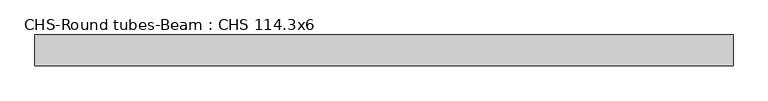
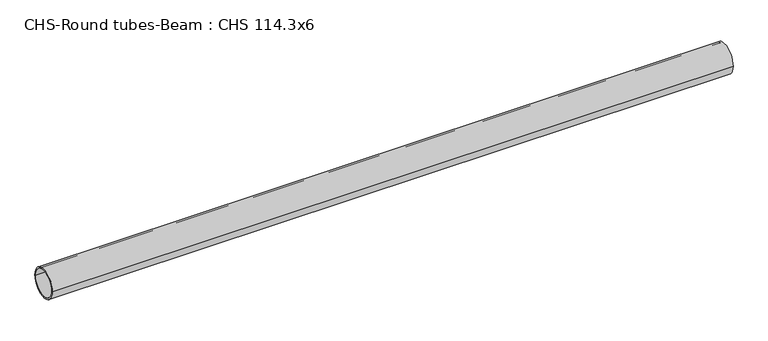
"""IFC4 building model written with IfcOpenShell, lengths in millimetres: beam geometry, CHS-Round tubes-Beam : CHS 114.3x6."""

from ifc_helpers import new_model, si_unit, point, frame, origin, origin_2d, place, context, project, spatial, circle_curve, trimmed, segment, composite_curve, outline, extrude, source, transform, mapped, element, save


def chs_round_tubes_beam_chs_114_3x6_2e67aafc(model_context):
    return source(origin(), model_context, "Body", "SweptSolid", [
        extrude(outline(composite_curve([segment(trimmed(circle_curve(origin_2d(), 57.15), [point((57.15, 0.0))], [point((-57.15, 0.0))], False, "CARTESIAN"), True, "CONTINUOUS"), segment(trimmed(circle_curve(origin_2d(), 57.15), [point((-57.15, 0.0))], [point((57.15, 0.0))], False, "CARTESIAN"), True, "CONTINUOUS")], self_intersect=False), holes=[composite_curve([segment(trimmed(circle_curve(origin_2d(), 51.15), [point((51.15, 0.0))], [point((-51.15, 0.0))], True, "CARTESIAN"), True, "CONTINUOUS"), segment(trimmed(circle_curve(origin_2d(), 51.15), [point((-51.15, 0.0))], [point((51.15, 0.0))], True, "CARTESIAN"), True, "CONTINUOUS")], self_intersect=False)]), frame((-1291.1782907, 0.0, 0.0), z_axis=(1.0, 0.0, 0.0), x_axis=(0.0, 1.0, 0.0)), (0.0, 0.0, 1.0), 2597.1184547),
    ])


if __name__ == "__main__":
    model = new_model("IFC4")
    model_context = context("Model", 3, world=origin())
    ifc_project = project(units=[si_unit("LENGTHUNIT", "METRE", prefix="MILLI")], contexts=[model_context])
    site = spatial("IfcSite", under=ifc_project)
    building = spatial("IfcBuilding", under=site)
    placement = place(None, origin())
    chs_round_tubes_beam_chs_114_3x6_shape = chs_round_tubes_beam_chs_114_3x6_2e67aafc(model_context)
    element("IfcBeam", 1, ObjectType="CHS-Round tubes-Beam : CHS 114.3x6", at=placement, inside=building, context=model_context, shape_type="MappedRepresentation", body=[
        mapped(chs_round_tubes_beam_chs_114_3x6_shape, transform((0.0, 0.0, 0.0), x_axis=(1.0, 0.0, 0.0), y_axis=(0.0, 1.0, 0.0), z_axis=(0.0, 0.0, 1.0))),
    ])
    save(model, "model.ifc")
